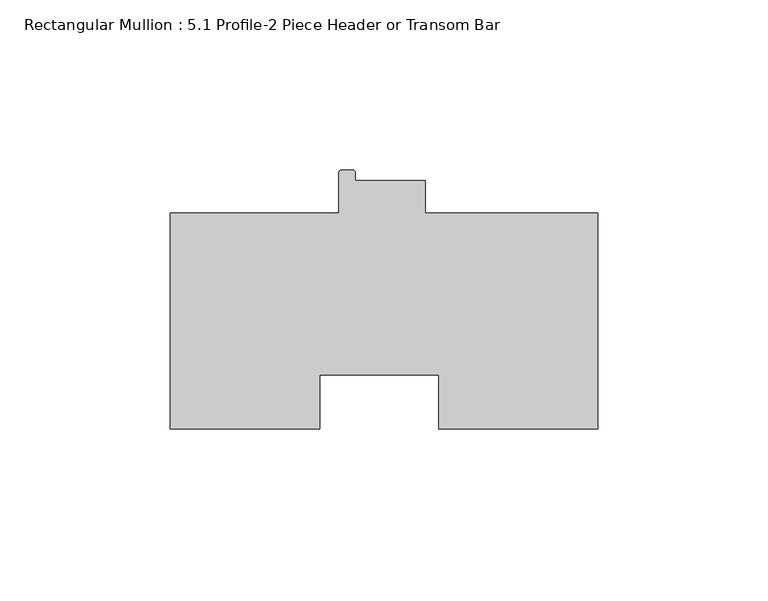
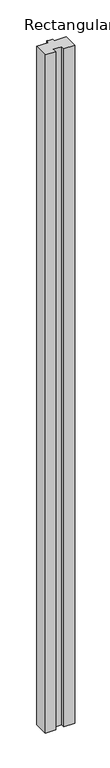
"""IFC4 building model written with IfcOpenShell, lengths in millimetres: member geometry, Rectangular Mullion : 5.1 Profile-2 Piece Header or Transom Bar."""

from ifc_helpers import new_model, si_unit, point, frame, frame_2d, origin, place, context, project, spatial, polyline, circle_curve, trimmed, segment, composite_curve, outline, extrude, source, transform, mapped, element, save


def rectangular_mullion_5_1_profile_2_piece_header_or_transom_bbe94861(model_context):
    return source(origin(), model_context, "Body", "SweptSolid", [
        extrude(outline(composite_curve([segment(polyline([(-125.7808, -31.75), (-125.7808, 31.75), (-76.1238, 31.75), (-76.1238, 43.6626)]), True, "CONTINUOUS"), segment(trimmed(circle_curve(frame_2d((-75.3364, 43.6626)), 0.7874), [point((-76.1238, 43.6626))], [point((-75.3364, 44.45))], False, "CARTESIAN"), True, "CONTINUOUS"), segment(polyline([(-75.3364, 44.45), (-72.136, 44.45)]), True, "CONTINUOUS"), segment(trimmed(circle_curve(frame_2d((-72.136, 43.6626)), 0.7874), [point((-72.136, 44.45))], [point((-71.3486, 43.6626))], False, "CARTESIAN"), True, "CONTINUOUS"), segment(polyline([(-71.3486, 43.6626), (-71.3486, 41.275), (-50.7238, 41.275), (-50.7238, 31.75), (0.0, 31.75), (0.0, -31.75), (-46.8503, -31.75), (-46.8503, -15.8624762), (-81.7753, -15.8624762), (-81.7753, -31.75), (-125.7808, -31.75)]), True, "CONTINUOUS")], self_intersect=False)), frame((0.0, 0.0, -3048.0), z_axis=(0.0, 0.0, 1.0), x_axis=(1.0, 0.0, 0.0)), (0.0, 0.0, 1.0), 3048.0),
    ])


if __name__ == "__main__":
    model = new_model("IFC4")
    model_context = context("Model", 3, world=origin())
    ifc_project = project(units=[si_unit("LENGTHUNIT", "METRE", prefix="MILLI")], contexts=[model_context])
    site = spatial("IfcSite", under=ifc_project)
    building = spatial("IfcBuilding", under=site)
    placement = place(None, origin())
    rectangular_mullion_5_1_profile_2_piece_header_or_transom_shape = rectangular_mullion_5_1_profile_2_piece_header_or_transom_bbe94861(model_context)
    element("IfcMember", 1, ObjectType="Rectangular Mullion : 5.1 Profile-2 Piece Header or Transom Bar", at=placement, inside=building, context=model_context, shape_type="MappedRepresentation", body=[
        mapped(rectangular_mullion_5_1_profile_2_piece_header_or_transom_shape, transform((0.0, 0.0, 0.0), x_axis=(1.0, 0.0, 0.0), y_axis=(0.0, 1.0, 0.0), z_axis=(0.0, 0.0, 1.0))),
    ])
    save(model, "model.ifc")
